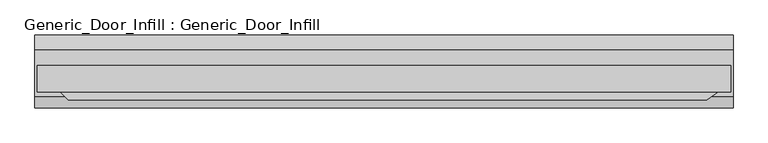
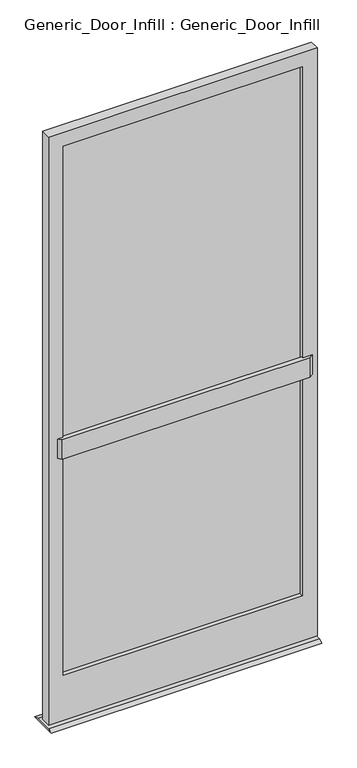
"""IFC4 building model written with IfcOpenShell, lengths in millimetres: plate geometry, Generic_Door_Infill : Generic_Door_Infill."""

from ifc_helpers import new_model, si_unit, frame, origin, place, context, project, spatial, polyline, outline, extrude, source, transform, mapped, element, save


def generic_door_infill_generic_door_infill_11be6f78(model_context):
    return source(origin(), model_context, "Body", "SweptSolid", [
        extrude(outline(polyline([(-471.5719478, -23.1230014), (-489.53246, -5.1624892), (507.6894421, -5.1624892), (482.0391724, -23.1230014), (-471.5719478, -23.1230014)])), frame((0.0, 0.0, 1090.3849987), z_axis=(0.0, 0.0, 1.0), x_axis=(1.0, 0.0, 0.0)), (0.0, 0.0, 1.0), 78.0150013),
        extrude(outline(polyline([(-460.95746, 11.3062662), (460.95746, 11.3062662), (460.95746, 4.9562662), (-460.95746, 4.9562662), (-460.95746, 11.3062662)])), frame((0.0, 0.0, 200.025), z_axis=(0.0, 0.0, 1.0), x_axis=(1.0, 0.0, 0.0)), (0.0, 0.0, 1.0), 2152.65),
        extrude(outline(polyline([(2409.825, 518.10746), (2409.825, -518.10746), (17.4625, -518.10746), (17.4625, 518.10746), (2409.825, 518.10746)]), holes=[polyline([(2352.675, 460.95746), (200.025, 460.95746), (200.025, -460.95746), (2352.675, -460.95746), (2352.675, 460.95746)])]), frame((0.0, -11.5124892, 0.0), z_axis=(0.0, 1.0, 0.0), x_axis=(0.0, 0.0, 1.0)), (0.0, 0.0, 1.0), 39.2875108),
        extrude(outline(polyline([(-17.8624892, 8.0508779), (51.9875108, 8.0508779), (74.107116, 0.0), (-35.1276525, 0.0), (-17.8624892, 8.0508779)])), frame((-521.28246, 0.0, 0.0), z_axis=(1.0, 0.0, 0.0), x_axis=(0.0, 1.0, 0.0)), (0.0, 0.0, 1.0), 1042.56492),
    ])


if __name__ == "__main__":
    model = new_model("IFC4")
    model_context = context("Model", 3, world=origin())
    ifc_project = project(units=[si_unit("LENGTHUNIT", "METRE", prefix="MILLI")], contexts=[model_context])
    site = spatial("IfcSite", under=ifc_project)
    building = spatial("IfcBuilding", under=site)
    placement = place(None, origin())
    generic_door_infill_generic_door_infill_shape = generic_door_infill_generic_door_infill_11be6f78(model_context)
    element("IfcPlate", 1, ObjectType="Generic_Door_Infill : Generic_Door_Infill", at=placement, inside=building, context=model_context, shape_type="MappedRepresentation", body=[
        mapped(generic_door_infill_generic_door_infill_shape, transform((0.0, 0.0, 0.0), x_axis=(1.0, 0.0, 0.0), y_axis=(0.0, 1.0, 0.0), z_axis=(0.0, 0.0, 1.0))),
    ])
    save(model, "model.ifc")
